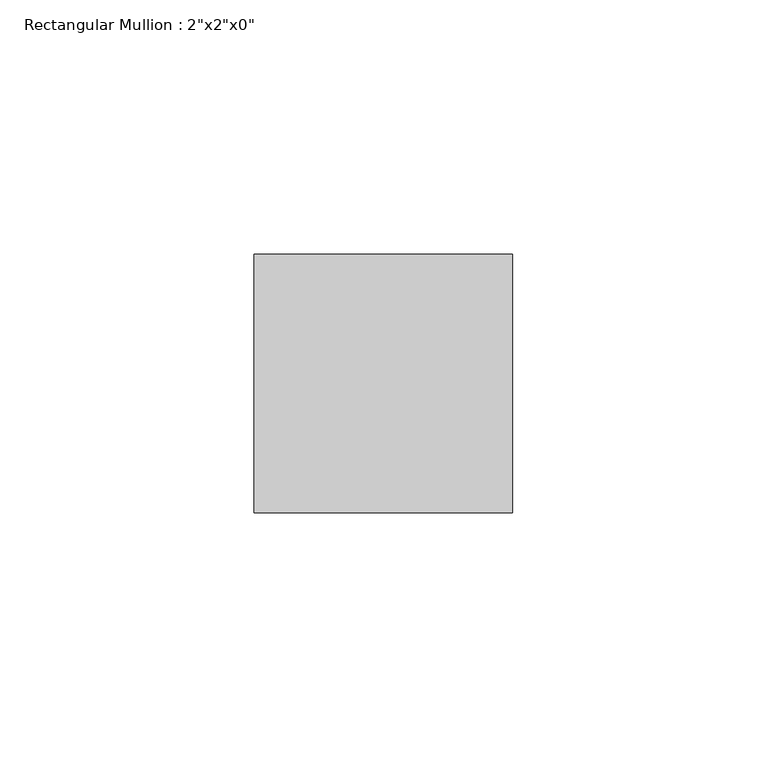
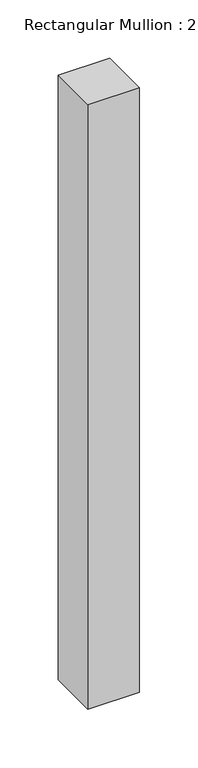
"""IFC4 building model written with IfcOpenShell, lengths in millimetres: member geometry."""

from ifc_helpers import new_model, si_unit, frame, origin, place, context, project, spatial, polyline, outline, extrude, source, transform, mapped, element, save


def member_d3618699(model_context):
    return source(origin(), model_context, "Body", "SweptSolid", [
        extrude(outline(polyline([(0.0, 25.4), (0.0, -25.4), (-50.8, -25.4), (-50.8, 25.4), (0.0, 25.4)])), frame((0.0, 0.0, -633.4413732), z_axis=(0.0, 0.0, 1.0), x_axis=(1.0, 0.0, 0.0)), (0.0, 0.0, 1.0), 633.4413732),
    ])


if __name__ == "__main__":
    model = new_model("IFC4")
    model_context = context("Model", 3, world=origin())
    ifc_project = project(units=[si_unit("LENGTHUNIT", "METRE", prefix="MILLI")], contexts=[model_context])
    site = spatial("IfcSite", under=ifc_project)
    building = spatial("IfcBuilding", under=site)
    placement = place(None, origin())
    member_shape = member_d3618699(model_context)
    element("IfcMember", 1, ObjectType="Rectangular Mullion : 2\"x2\"x0\"", at=placement, inside=building, context=model_context, shape_type="MappedRepresentation", body=[
        mapped(member_shape, transform((0.0, 0.0, 0.0), x_axis=(1.0, 0.0, 0.0), y_axis=(0.0, 1.0, 0.0), z_axis=(0.0, 0.0, 1.0))),
    ])
    save(model, "model.ifc")
